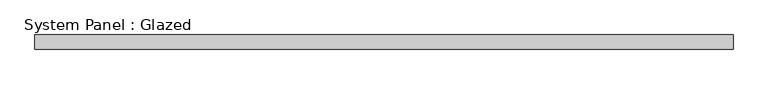
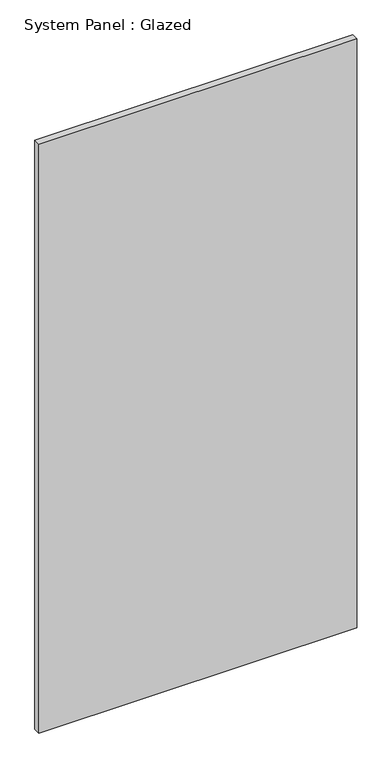
"""IFC4 building model written with IfcOpenShell, lengths in millimetres: plate geometry, System Panel : Glazed."""

from ifc_helpers import new_model, si_unit, origin, origin_with_axes, place, context, project, spatial, polyline, outline, extrude, source, transform, mapped, element, save


def system_panel_glazed_fd05db75(model_context):
    return source(origin(), model_context, "Body", "SweptSolid", [
        extrude(outline(polyline([(599.9999999, 24.5), (-599.9999999, 24.5), (-599.9999999, 49.5), (599.9999999, 49.5), (599.9999999, 24.5)])), origin_with_axes(), (0.0, 0.0, 1.0), 2350.0),
    ])


if __name__ == "__main__":
    model = new_model("IFC4")
    model_context = context("Model", 3, world=origin())
    ifc_project = project(units=[si_unit("LENGTHUNIT", "METRE", prefix="MILLI")], contexts=[model_context])
    site = spatial("IfcSite", under=ifc_project)
    building = spatial("IfcBuilding", under=site)
    placement = place(None, origin())
    system_panel_glazed_shape = system_panel_glazed_fd05db75(model_context)
    element("IfcPlate", 1, ObjectType="System Panel : Glazed", at=placement, inside=building, context=model_context, shape_type="MappedRepresentation", body=[
        mapped(system_panel_glazed_shape, transform((0.0, 0.0, 0.0), x_axis=(1.0, 0.0, 0.0), y_axis=(0.0, 1.0, 0.0), z_axis=(0.0, 0.0, 1.0))),
    ])
    save(model, "model.ifc")
